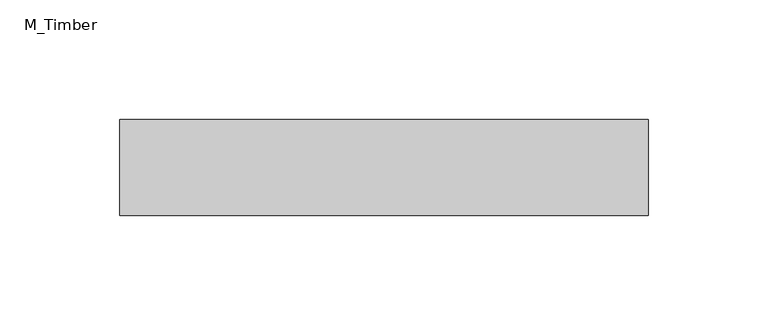
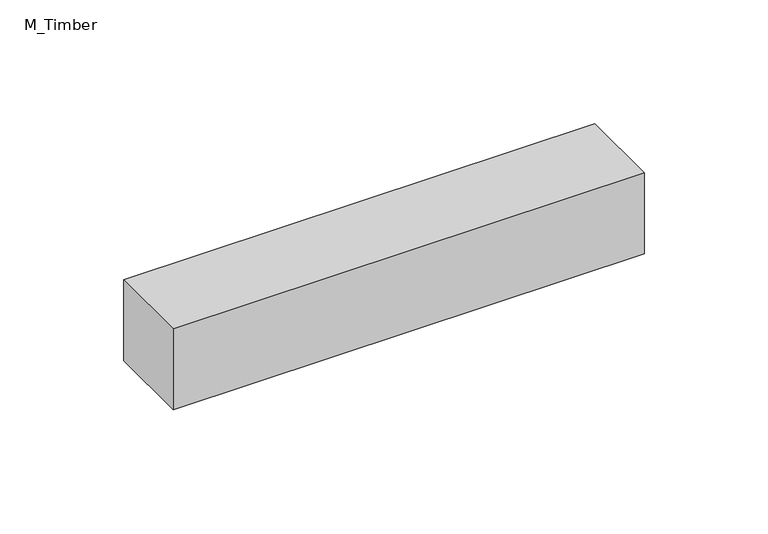
"""IFC4 building model written with IfcOpenShell, lengths in millimetres: beam geometry, M_Timber."""

from ifc_helpers import new_model, si_unit, frame, origin, place, context, project, spatial, polyline, outline, extrude, source, transform, mapped, element, save


def m_timber_e9cb1aae(model_context):
    return source(origin(), model_context, "Body", "SweptSolid", [
        extrude(outline(polyline([(110.0000787, 20.0), (110.0000787, -20.0), (-110.0000787, -20.0), (-110.0000787, 20.0), (110.0000787, 20.0)])), frame((0.0, 0.0, -20.0), z_axis=(0.0, 0.0, 1.0), x_axis=(1.0, 0.0, 0.0)), (0.0, 0.0, 1.0), 40.0),
    ])


if __name__ == "__main__":
    model = new_model("IFC4")
    model_context = context("Model", 3, world=origin())
    ifc_project = project(units=[si_unit("LENGTHUNIT", "METRE", prefix="MILLI")], contexts=[model_context])
    site = spatial("IfcSite", under=ifc_project)
    building = spatial("IfcBuilding", under=site)
    placement = place(None, origin())
    m_timber_shape = m_timber_e9cb1aae(model_context)
    element("IfcBeam", 1, ObjectType="M_Timber", at=placement, inside=building, context=model_context, shape_type="MappedRepresentation", body=[
        mapped(m_timber_shape, transform((0.0, 0.0, 0.0), x_axis=(1.0, 0.0, 0.0), y_axis=(0.0, 1.0, 0.0), z_axis=(0.0, 0.0, 1.0))),
    ])
    save(model, "model.ifc")
